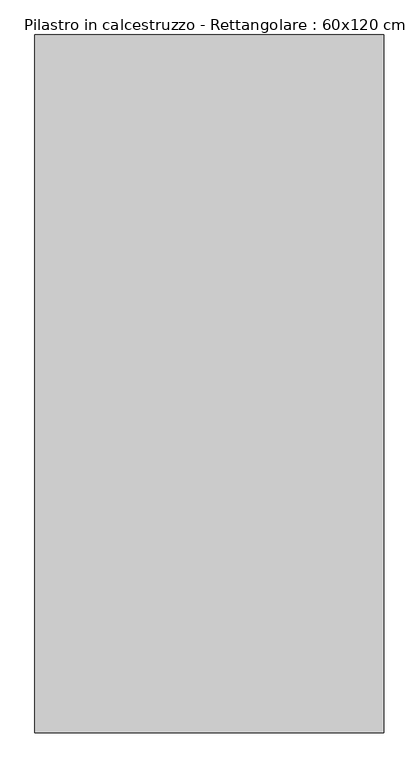
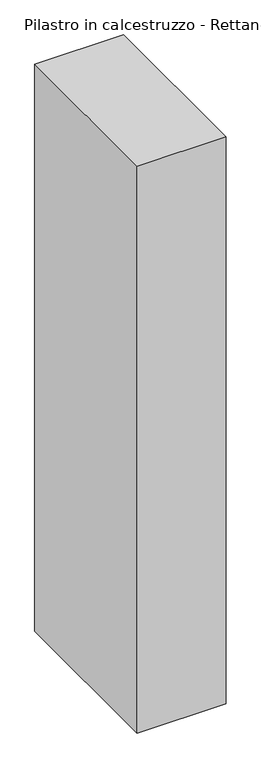
"""IFC4 building model written with IfcOpenShell, lengths in millimetres: column geometry, Pilastro in calcestruzzo - Rettangolare : 60x120 cm."""

from ifc_helpers import new_model, si_unit, frame, origin, place, context, project, spatial, polyline, outline, extrude, source, transform, mapped, element, save


def pilastro_in_calcestruzzo_rettangolare_60x120_cm_cf8bbdc9(model_context):
    return source(origin(), model_context, "Body", "SweptSolid", [
        extrude(outline(polyline([(300.0, 600.0), (300.0, -600.0), (-300.0, -600.0), (-300.0, 600.0), (300.0, 600.0)])), frame((0.0, 0.0, -8000.0), z_axis=(0.0, 0.0, 1.0), x_axis=(1.0, 0.0, 0.0)), (0.0, 0.0, 1.0), 4050.0),
    ])


if __name__ == "__main__":
    model = new_model("IFC4")
    model_context = context("Model", 3, world=origin())
    ifc_project = project(units=[si_unit("LENGTHUNIT", "METRE", prefix="MILLI")], contexts=[model_context])
    site = spatial("IfcSite", under=ifc_project)
    building = spatial("IfcBuilding", under=site)
    placement = place(None, origin())
    pilastro_in_calcestruzzo_rettangolare_60x120_cm_shape = pilastro_in_calcestruzzo_rettangolare_60x120_cm_cf8bbdc9(model_context)
    element("IfcColumn", 1, ObjectType="Pilastro in calcestruzzo - Rettangolare : 60x120 cm", at=placement, inside=building, context=model_context, shape_type="MappedRepresentation", body=[
        mapped(pilastro_in_calcestruzzo_rettangolare_60x120_cm_shape, transform((0.0, 0.0, 0.0), x_axis=(1.0, 0.0, 0.0), y_axis=(0.0, 1.0, 0.0), z_axis=(0.0, 0.0, 1.0))),
    ])
    save(model, "model.ifc")
